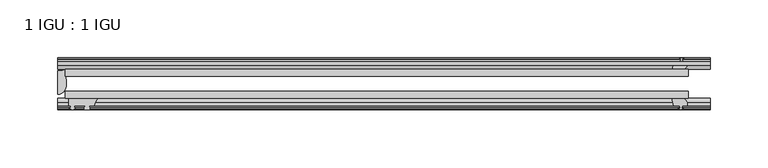
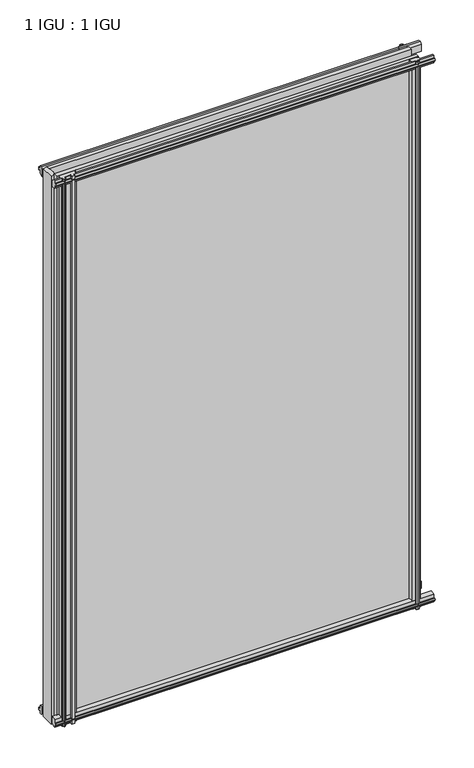
"""IFC4 building model written with IfcOpenShell, lengths in millimetres: plate geometry, 1 IGU : 1 IGU."""

import ifcopenshell
import ifcopenshell.guid

model = None  # the IFC model being written
_history = None  # IfcOwnerHistory: only IFC2X3 demands one
_inside = {}  # id of a spatial element -> (the spatial element, [elements in it])
_under = {}  # id of a project, library or spatial element -> (it, [spatial elements below it])
_declared = {}  # id of a project -> (the project, [libraries it declares])
_typed = {}  # id of a type object -> (the type object, [elements of that type])
_made_of = {}  # id of a material, layer set ... -> (it, [elements and type objects made of it])


def new_model(schema):
    """Start an empty IFC model of exactly this schema.

    Asked for "IFC4X3", IfcOpenShell would pick the latest addendum, in which some entities
    have other attributes; the version numbers below select the first issue.
    IFC2X3 requires an IfcOwnerHistory on every rooted entity: one is made here for all.
    """
    global model, _history
    if schema == "IFC4X3":
        model = ifcopenshell.file(schema_version=(4, 3, 0, 0))
    else:
        model = ifcopenshell.file(schema=schema)
    _inside.clear()
    _under.clear()
    _declared.clear()
    _typed.clear()
    _made_of.clear()
    _history = None
    if model.schema == "IFC2X3":
        org = make("IfcOrganization", Name="unknown")
        user = make(
            "IfcPersonAndOrganization",
            ThePerson=make("IfcPerson", FamilyName="unknown"),
            TheOrganization=org,
        )
        app = make(
            "IfcApplication",
            ApplicationDeveloper=org,
            Version="unknown",
            ApplicationFullName="unknown",
            ApplicationIdentifier="unknown",
        )
        _history = make(
            "IfcOwnerHistory",
            OwningUser=user,
            OwningApplication=app,
            ChangeAction="ADDED",
            CreationDate=0,
        )
    return model


def make(cls, **values):
    """One entity of the class cls with the attributes given. An attribute that is None is left unset."""
    return model.create_entity(
        cls, **{name: value for name, value in values.items() if value is not None}
    )


def rooted(cls, **values):
    """An entity with a GlobalId (a new one), such as an element, a storey or a relation."""
    return make(cls, GlobalId=ifcopenshell.guid.new(), OwnerHistory=_history, **values)


def si_unit(unit_type, name, prefix=None):
    """IfcSIUnit, for example si_unit("LENGTHUNIT", "METRE", prefix="MILLI")."""
    return make("IfcSIUnit", UnitType=unit_type, Prefix=prefix, Name=name)


def assignment(units):
    """IfcUnitAssignment: the units of a project."""
    return None if units is None else make("IfcUnitAssignment", Units=units)


def point(xyz):
    """IfcCartesianPoint."""
    return None if xyz is None else make("IfcCartesianPoint", Coordinates=xyz)


def direction(xyz):
    """IfcDirection."""
    return None if xyz is None else make("IfcDirection", DirectionRatios=xyz)


def frame(location, z_axis=None, x_axis=None):
    """IfcAxis2Placement3D, a coordinate frame: its origin and axes. An axis left out is left unset."""
    return make(
        "IfcAxis2Placement3D",
        Location=point(location),
        Axis=direction(z_axis),
        RefDirection=direction(x_axis),
    )


def frame_2d(location, x_axis=None):
    """IfcAxis2Placement2D, a coordinate frame in the plane: its origin and x axis."""
    return make(
        "IfcAxis2Placement2D", Location=point(location), RefDirection=direction(x_axis)
    )


def origin():
    """The frame at (0, 0, 0) with its axes left unset."""
    return frame((0.0, 0.0, 0.0))


def place(relative_to, where):
    """IfcLocalPlacement: puts the frame where relative to a parent placement (None: the world)."""
    return make(
        "IfcLocalPlacement", PlacementRelTo=relative_to, RelativePlacement=where
    )


def context(
    kind, dimensions, precision=None, world=None, true_north=None, identifier=None
):
    """IfcGeometricRepresentationContext, for example the 3D "Model" context."""
    return make(
        "IfcGeometricRepresentationContext",
        ContextIdentifier=identifier,
        ContextType=kind,
        CoordinateSpaceDimension=dimensions,
        Precision=precision,
        WorldCoordinateSystem=world,
        TrueNorth=true_north,
    )


def project(units=None, contexts=None):
    """IfcProject with its units and contexts."""
    return rooted(
        "IfcProject",
        Name="project",
        RepresentationContexts=contexts,
        UnitsInContext=assignment(units),
    )


def spatial(cls, under=None, at=None, **own):
    """A site, building, storey or space (cls), placed at a placement, below another one or the project."""
    s = rooted(cls, ObjectPlacement=at, **own)
    if under is not None:
        _under.setdefault(under.id(), (under, []))[1].append(s)
    return s


def polyline(points):
    """IfcPolyline through the points."""
    return make("IfcPolyline", Points=[point(p) for p in points])


def circle_curve(where, radius):
    """IfcCircle in the frame where."""
    return make("IfcCircle", Position=where, Radius=radius)


def ellipse_curve(where, semi_axis1, semi_axis2):
    """IfcEllipse in the frame where."""
    return make(
        "IfcEllipse", Position=where, SemiAxis1=semi_axis1, SemiAxis2=semi_axis2
    )


def trimmed(basis, trim1, trim2, sense, master):
    """IfcTrimmedCurve: the piece of a basis curve between two trims."""
    return make(
        "IfcTrimmedCurve",
        BasisCurve=basis,
        Trim1=trim1,
        Trim2=trim2,
        SenseAgreement=sense,
        MasterRepresentation=master,
    )


def segment(curve, same_sense, transition):
    """IfcCompositeCurveSegment."""
    return make(
        "IfcCompositeCurveSegment",
        Transition=transition,
        SameSense=same_sense,
        ParentCurve=curve,
    )


def composite_curve(segments, self_intersect=None):
    """IfcCompositeCurve: segments joined end to end."""
    return make("IfcCompositeCurve", Segments=segments, SelfIntersect=self_intersect)


def outline(outer, holes=None, kind="AREA"):
    """IfcArbitraryClosedProfileDef: a profile drawn as a closed curve; with holes, ...WithVoids."""
    if holes is None:
        return make("IfcArbitraryClosedProfileDef", ProfileType=kind, OuterCurve=outer)
    return make(
        "IfcArbitraryProfileDefWithVoids",
        ProfileType=kind,
        OuterCurve=outer,
        InnerCurves=holes,
    )


def extrude(swept, where, along, depth):
    """IfcExtrudedAreaSolid: the profile swept, set in the frame where, extruded along a direction by depth."""
    return make(
        "IfcExtrudedAreaSolid",
        SweptArea=swept,
        Position=where,
        ExtrudedDirection=direction(along),
        Depth=depth,
    )


def shape(context_of_items, identifier, shape_type, items):
    """IfcShapeRepresentation: the items that make up one representation, for example the "Body"."""
    return make(
        "IfcShapeRepresentation",
        ContextOfItems=context_of_items,
        RepresentationIdentifier=identifier,
        RepresentationType=shape_type,
        Items=items,
    )


def source(mapping_origin, context_of_items, identifier, shape_type, items):
    """IfcRepresentationMap: a shape defined once, which mapped items show again and again."""
    return make(
        "IfcRepresentationMap",
        MappingOrigin=mapping_origin,
        MappedRepresentation=shape(context_of_items, identifier, shape_type, items),
    )


def transform(
    local_origin,
    x_axis=None,
    y_axis=None,
    z_axis=None,
    scale=None,
    scale2=None,
    scale3=None,
    uniform=True,
):
    """IfcCartesianTransformationOperator3D, or its non-uniform kind. x_axis, y_axis, z_axis: its Axis1, 2, 3."""
    if uniform:
        return make(
            "IfcCartesianTransformationOperator3D",
            Axis1=direction(x_axis),
            Axis2=direction(y_axis),
            LocalOrigin=point(local_origin),
            Scale=scale,
            Axis3=direction(z_axis),
        )
    return make(
        "IfcCartesianTransformationOperator3DnonUniform",
        Axis1=direction(x_axis),
        Axis2=direction(y_axis),
        LocalOrigin=point(local_origin),
        Scale=scale,
        Axis3=direction(z_axis),
        Scale2=scale2,
        Scale3=scale3,
    )


def mapped(mapping_source, mapping_target):
    """IfcMappedItem: shows the shape of a source again, moved by a transform."""
    return make(
        "IfcMappedItem", MappingSource=mapping_source, MappingTarget=mapping_target
    )


def made_of(thing, what):
    """Note that an element or type object is made of a material, layer set ...; save() writes the relation."""
    if what is not None:
        _made_of.setdefault(what.id(), (what, []))[1].append(thing)
    return thing


def element(
    cls,
    number,
    at=None,
    inside=None,
    cuts=None,
    type_object=None,
    material=None,
    context=None,
    identifier="Body",
    shape_type=None,
    held_by="IfcProductDefinitionShape",
    body=None,
    shapes=None,
    **own,
):
    """One element of the class cls, such as IfcWall. Its Tag is "e" and its number.

    at: its placement. inside: the storey or other place that contains it. cuts: it is an
    opening in that element (IfcRelVoidsElement). A single representation is given by context,
    identifier, shape_type and body (its items); several are given by shapes. held_by: the class
    of the entity that holds the representations. save() writes the other relations.
    """
    e = rooted(cls, Tag="e%d" % number, ObjectPlacement=at, **own)
    if body is not None:
        shapes = [shape(context, identifier, shape_type, body)]
    if shapes is not None:
        e.Representation = make(held_by, Representations=shapes)
    if inside is not None:
        _inside.setdefault(inside.id(), (inside, []))[1].append(e)
    if cuts is not None:
        rooted(
            "IfcRelVoidsElement", RelatingBuildingElement=cuts, RelatedOpeningElement=e
        )
    if type_object is not None:
        _typed.setdefault(type_object.id(), (type_object, []))[1].append(e)
    return made_of(e, material)


def aggregate(whole, parts):
    """IfcRelAggregates: a whole, such as a stair, and the parts it consists of."""
    return rooted("IfcRelAggregates", RelatingObject=whole, RelatedObjects=parts)


def save(model, path):
    """Write the relations noted so far, then the file.

    IfcRelAggregates (storeys below a building ...), IfcRelContainedInSpatialStructure (elements
    in a storey), IfcRelDefinesByType, IfcRelAssociatesMaterial and IfcRelDeclares: one each for
    every whole, place, type object, material and project.
    """
    for whole, parts in _under.values():
        aggregate(whole, parts)
    for where, things in _inside.values():
        rooted(
            "IfcRelContainedInSpatialStructure",
            RelatedElements=things,
            RelatingStructure=where,
        )
    for kind, things in _typed.values():
        rooted("IfcRelDefinesByType", RelatedObjects=things, RelatingType=kind)
    for what, things in _made_of.values():
        rooted("IfcRelAssociatesMaterial", RelatedObjects=things, RelatingMaterial=what)
    for by, libraries in _declared.values():
        rooted("IfcRelDeclares", RelatingContext=by, RelatedDefinitions=libraries)
    model.write(path)


def plane_surface(at):
    """IfcPlane: the flat surface through the origin of the frame at, square to its z axis."""
    return make("IfcPlane", Position=at)


def cylinder_surface(at, radius):
    """IfcCylindricalSurface: all points at the distance radius from the z axis of the frame at."""
    return make("IfcCylindricalSurface", Position=at, Radius=radius)


def revolved_surface(curve, axis_point, axis_direction):
    """IfcSurfaceOfRevolution: the curve turned about the line through axis_point along axis_direction."""
    return make(
        "IfcSurfaceOfRevolution",
        SweptCurve=make("IfcArbitraryOpenProfileDef", ProfileType="CURVE", Curve=curve),
        AxisPosition=make("IfcAxis1Placement", Location=point(axis_point), Axis=direction(axis_direction)),
    )


def extruded_surface(curve, direction_of_extrusion, depth):
    """IfcSurfaceOfLinearExtrusion: the curve pushed along a direction by depth."""
    return make(
        "IfcSurfaceOfLinearExtrusion",
        SweptCurve=make("IfcArbitraryOpenProfileDef", ProfileType="CURVE", Curve=curve),
        ExtrudedDirection=direction(direction_of_extrusion),
        Depth=depth,
    )


def advanced_brep(points, edges, surfaces, faces):
    """IfcAdvancedBrep: a solid bounded by faces that lie on surfaces and meet in shared edges.

    An edge is (start, end): straight between two places in points (the first is 0);
    or (start, end, curve); or (start, end, curve, False) where it runs against its curve.
    A face is (place in surfaces, loops), or (place, loops, False) where it looks against
    its surface's normal. A loop lists edges by number (the first is 1), with a minus sign
    where the edge is run from its end to its start. The first loop is the outer one.
    """
    corners = [point(p) for p in points]
    vertices = [make("IfcVertexPoint", VertexGeometry=c) for c in corners]
    made = []
    for start, end, *more in edges:
        made.append(
            make(
                "IfcEdgeCurve",
                EdgeStart=vertices[start],
                EdgeEnd=vertices[end],
                EdgeGeometry=more[0] if more else make("IfcPolyline", Points=[corners[start], corners[end]]),
                SameSense=more[1] if len(more) > 1 else True,
            )
        )
    hull = []
    for where, loops, *sense in faces:
        bounds = []
        for j, loop in enumerate(loops):
            ring = [make("IfcOrientedEdge", EdgeElement=made[abs(k) - 1], Orientation=k > 0) for k in loop]
            bounds.append(
                make(
                    "IfcFaceOuterBound" if j == 0 else "IfcFaceBound",
                    Bound=make("IfcEdgeLoop", EdgeList=ring),
                    Orientation=True,
                )
            )
        hull.append(make("IfcAdvancedFace", Bounds=bounds, FaceSurface=surfaces[where], SameSense=sense[0] if sense else True))
    return make("IfcAdvancedBrep", Outer=make("IfcClosedShell", CfsFaces=hull))


def plate_1_igu_1_igu_98772a17(model_context):
    return source(origin(), model_context, "Body", "SolidModel", [
        extrude(outline(polyline([(-276.2250001, -38.6468937), (263.5250001, -38.6468937), (263.5250001, -44.9460938), (-276.2250001, -44.9460938), (-276.2250001, -38.6468937)])), frame((0.0, 0.0, -12.7), z_axis=(0.0, 0.0, 1.0), x_axis=(1.0, 0.0, 0.0)), (0.0, 0.0, 1.0), 863.5999996),
        extrude(outline(polyline([(-276.2250001, -19.5460937), (263.5250001, -19.5460937), (263.5250001, -25.8960938), (-276.2250001, -25.8960938), (-276.2250001, -19.5460937)])), frame((0.0, 0.0, -12.7), z_axis=(0.0, 0.0, 1.0), x_axis=(1.0, 0.0, 0.0)), (0.0, 0.0, 1.0), 863.5999996),
        advanced_brep(
        [(-282.5750001, -21.1706006, -12.7), (-276.2263882, -19.5461438, -12.7), (-276.2263882, -25.8549351, -12.7), (-275.0510369, -32.21431, -12.7), (-282.5750001, -41.5384043, -12.7), (-282.5750001, -21.1706006, 850.8999996), (-282.5750001, -41.5384043, 850.8999996), (-275.0510369, -32.21431, 850.8999996), (-276.2263882, -25.8549351, 850.8999996), (-276.2263882, -19.5461438, 850.8999996)],
        [
            (0, 1, circle_curve(frame((-282.5755695, -7.9505008, -12.7), z_axis=(0.0, 0.0, 1.0), x_axis=(1.0, 0.0, 0.0)), 13.2200998)),
            (1, 2),
            (2, 3, circle_curve(frame((-293.1134013, -32.2643264, -12.7), z_axis=(0.0, 0.0, -1.0), x_axis=(1.0, 0.0, 0.0)), 18.0624336)),
            (3, 4, ellipse_curve(frame((-282.5741672, -32.2460921, -12.7), z_axis=(0.0, 0.0, -1.0), x_axis=(0.0, -1.0, 0.0)), 9.2923123, 7.5231742)),
            (4, 0),
            (5, 6),
            (6, 7, ellipse_curve(frame((-282.5741672, -32.2460921, 850.8999996), z_axis=(0.0, 0.0, 1.0), x_axis=(0.0, -1.0, 0.0)), 9.2923123, 7.5231742)),
            (7, 8, circle_curve(frame((-293.1134013, -32.2643264, 850.8999996), z_axis=(0.0, 0.0, 1.0), x_axis=(1.0, 0.0, 0.0)), 18.0624336)),
            (8, 9),
            (9, 5, circle_curve(frame((-282.5755695, -7.9505008, 850.8999996), z_axis=(0.0, 0.0, -1.0), x_axis=(1.0, 0.0, 0.0)), 13.2200998)),
            (0, 5),
            (9, 1),
            (8, 2),
            (7, 3),
            (6, 4),
        ],
        [
            plane_surface(frame((-282.5750001, -13.1960937, -12.7), z_axis=(0.0, 0.0, -1.0), x_axis=(0.0, 1.0, 0.0))),
            plane_surface(frame((-282.5750001, -13.1960937, 850.8999996), z_axis=(0.0, 0.0, 1.0), x_axis=(0.0, 1.0, 0.0))),
            revolved_surface(polyline([(-269.35546969999996, -7.9505008, 850.8999996), (-269.35546969999996, -7.9505008, -12.7)]), (-282.5755695, -7.9505008, -12.7), (0.0, 0.0, 1.0)),
            plane_surface(frame((-276.2263882, -19.5461438, -12.7), z_axis=(1.0, 0.0, 0.0), x_axis=(0.0, 0.0, 1.0))),
            cylinder_surface(frame((-293.1134013, -32.2643264, -12.7), z_axis=(0.0, 0.0, -1.0), x_axis=(1.0, 0.0, 0.0)), 18.0624336),
            extruded_surface(trimmed(ellipse_curve(frame((-282.5741672, -32.2460921, 850.8999996), z_axis=(0.0, 0.0, -1.0), x_axis=(0.0, -1.0, 0.0)), 9.2923123, 7.5231742), [point((-275.0510369, -32.21431, 850.8999996))], [point((-282.5750001, -41.5384043, 850.8999996))], True, "CARTESIAN"), (0.0, 0.0, -863.5999996), 863.5999996),
            plane_surface(frame((-282.5750001, -41.5384043, -12.7), z_axis=(-1.0, 0.0, 0.0), x_axis=(0.0, 0.0, 1.0))),
        ],
        [
            (0, [[1, 2, 3, 4, 5]]),
            (1, [[6, 7, 8, 9, 10]]),
            (2, [[-1, 11, -10, 12]]),
            (3, [[-2, -12, -9, 13]]),
            (4, [[-3, -13, -8, 14]]),
            (5, [[-4, -14, -7, 15]]),
            (6, [[-5, -15, -6, -11]]),
        ],
    ),
        extrude(outline(polyline([(-44.9460937, 1.7177181), (-44.9460937, -9.1036578), (-48.3496937, -11.938), (-51.2960937, -11.938), (-51.2960937, -7.493), (-53.6762907, -7.112), (-53.2163575, -8.5275291), (-54.0175717, -8.5275291), (-54.7250937, -6.35), (-54.0175717, -4.1724709), (-53.2163575, -4.1724709), (-53.6762907, -5.588), (-51.2960937, -5.207), (-51.2960937, 0.0), (-44.9460937, 1.7177181)])), frame((-282.5750001, 0.0, 0.0), z_axis=(1.0, 0.0, 0.0), x_axis=(0.0, 1.0, 0.0)), (0.0, 0.0, 1.0), 565.1500002),
        extrude(outline(polyline([(-13.1960937, -12.4587), (-16.1424937, -12.4587), (-19.5460937, -9.6243578), (-19.5460937, 1.1970181), (-13.1960937, -0.5207), (-13.1960937, -5.7277), (-10.8158968, -6.1087), (-11.27583, -4.6931709), (-10.4746158, -4.6931709), (-9.7670937, -6.8707), (-10.4746158, -9.0482291), (-11.27583, -9.0482291), (-10.8158968, -7.6327), (-13.1960937, -8.0137), (-13.1960937, -12.4587)])), frame((-282.5750001, 0.0, 0.0), z_axis=(1.0, 0.0, 0.0), x_axis=(0.0, 1.0, 0.0)), (0.0, 0.0, 1.0), 565.1500002),
        extrude(outline(polyline([(-51.2960937, 850.1379996), (-48.3496937, 850.1379996), (-44.9460937, 847.3036575), (-44.9460937, 836.4822816), (-51.2960937, 838.1999996), (-51.2960937, 843.4069996), (-53.6762907, 843.7879996), (-53.2163575, 842.3724706), (-54.0175717, 842.3724706), (-54.7250937, 844.5499996), (-54.0175717, 846.7275287), (-53.2163575, 846.7275287), (-53.6762907, 845.3119996), (-51.2960937, 845.6929996), (-51.2960937, 850.1379996)])), frame((-282.5750001, 0.0, 0.0), z_axis=(1.0, 0.0, 0.0), x_axis=(0.0, 1.0, 0.0)), (0.0, 0.0, 1.0), 565.1500002),
        extrude(outline(polyline([(-19.5460937, 837.0029816), (-19.5460937, 847.8243575), (-16.1424937, 850.6586996), (-13.1960937, 850.6586996), (-13.1960937, 846.2136996), (-10.8158968, 845.8326996), (-11.27583, 847.2482287), (-10.4746158, 847.2482287), (-9.7670937, 845.0706996), (-10.4746158, 842.8931706), (-11.27583, 842.8931706), (-10.8158968, 844.3086996), (-13.1960937, 843.9276996), (-13.1960937, 838.7206996), (-19.5460937, 837.0029816)])), frame((-282.5750001, 0.0, 0.0), z_axis=(1.0, 0.0, 0.0), x_axis=(0.0, 1.0, 0.0)), (0.0, 0.0, 1.0), 565.1500002),
        extrude(outline(composite_curve([segment(trimmed(circle_curve(frame_2d((-241.8090688, -51.9750196)), 9.0414579), [point((-247.4960857, -44.9460938))], [point((-250.8250002, -51.2960938))], True, "CARTESIAN"), True, "CONTINUOUS"), segment(polyline([(-250.8250002, -51.2960938), (-255.0668002, -51.2960938)]), True, "CONTINUOUS"), segment(trimmed(circle_curve(frame_2d((-255.0668002, -51.7532938)), 0.4572), [point((-255.0668002, -51.2960938))], [point((-255.4056181, -52.0602698))], True, "CARTESIAN"), True, "CONTINUOUS"), segment(trimmed(circle_curve(frame_2d((-257.1750002, -53.663367)), 2.3876), [point((-255.4056181, -52.0602698))], [point((-255.1043572, -54.8520938))], False, "CARTESIAN"), True, "CONTINUOUS"), segment(polyline([(-255.1043572, -54.8520938), (-259.2456432, -54.8520938)]), True, "CONTINUOUS"), segment(trimmed(circle_curve(frame_2d((-257.1750002, -53.663367)), 2.3876), [point((-259.2456432, -54.8520938))], [point((-258.9443824, -52.0602698))], False, "CARTESIAN"), True, "CONTINUOUS"), segment(trimmed(circle_curve(frame_2d((-259.2832002, -51.7532938)), 0.4572), [point((-258.9443824, -52.0602698))], [point((-259.2832002, -51.2960938))], True, "CARTESIAN"), True, "CONTINUOUS"), segment(polyline([(-259.2832002, -51.2960938), (-268.3510002, -51.2960938), (-268.3510002, -52.9470938), (-267.2733695, -52.9470938)]), True, "CONTINUOUS"), segment(trimmed(circle_curve(frame_2d((-268.3510002, -52.9470938)), 1.0776307), [point((-267.2733695, -52.9470938))], [point((-267.5890002, -53.7090938))], False, "CARTESIAN"), True, "CONTINUOUS"), segment(polyline([(-267.5890002, -53.7090938), (-269.3282926, -54.8194621)]), True, "CONTINUOUS"), segment(trimmed(circle_curve(frame_2d((-269.8750002, -53.9630938)), 1.016), [point((-269.3282926, -54.8194621))], [point((-270.4217078, -54.8194621))], False, "CARTESIAN"), True, "CONTINUOUS"), segment(polyline([(-270.4217078, -54.8194621), (-272.1610002, -53.7090938)]), True, "CONTINUOUS"), segment(trimmed(circle_curve(frame_2d((-271.3990002, -52.9470938)), 1.0776307), [point((-272.1610002, -53.7090938))], [point((-272.476631, -52.9470938))], False, "CARTESIAN"), True, "CONTINUOUS"), segment(polyline([(-272.476631, -52.9470938), (-271.3990002, -52.9470938), (-271.3990002, -51.2960938), (-273.0500002, -51.2960938), (-273.0500002, -44.9460938), (-247.4960857, -44.9460938)]), True, "CONTINUOUS")], self_intersect=False)), frame((0.0, 0.0, -12.7), z_axis=(0.0, 0.0, 1.0), x_axis=(1.0, 0.0, 0.0)), (0.0, 0.0, 1.0), 863.5999998),
        extrude(outline(polyline([(249.627982, -19.5460938), (251.3457001, -13.1960938), (256.5527001, -13.1960938), (256.9337001, -10.8158968), (255.518171, -11.27583), (255.518171, -10.4746158), (257.6957001, -9.7670938), (259.8732291, -10.4746158), (259.8732291, -11.27583), (258.4577001, -10.8158968), (258.8387001, -13.1960938), (263.2837001, -13.1960938), (263.2837001, -16.1424938), (260.4493579, -19.5460938), (249.627982, -19.5460938)])), frame((0.0, 0.0, -12.7), z_axis=(0.0, 0.0, 1.0), x_axis=(1.0, 0.0, 0.0)), (0.0, 0.0, 1.0), 863.5999998),
        extrude(outline(polyline([(249.107282, -44.9460938), (259.9286579, -44.9460938), (262.7630001, -48.3496938), (262.7630001, -51.2960938), (258.3180001, -51.2960938), (257.9370001, -53.6762907), (259.3525291, -53.2163575), (259.3525291, -54.0175717), (257.1750001, -54.7250938), (254.997471, -54.0175717), (254.997471, -53.2163575), (256.4130001, -53.6762907), (256.0320001, -51.2960938), (250.8250001, -51.2960938), (249.107282, -44.9460938)])), frame((0.0, 0.0, -12.7), z_axis=(0.0, 0.0, 1.0), x_axis=(1.0, 0.0, 0.0)), (0.0, 0.0, 1.0), 863.5999998),
    ])


if __name__ == "__main__":
    model = new_model("IFC4")
    model_context = context("Model", 3, world=origin())
    ifc_project = project(units=[si_unit("LENGTHUNIT", "METRE", prefix="MILLI")], contexts=[model_context])
    site = spatial("IfcSite", under=ifc_project)
    building = spatial("IfcBuilding", under=site)
    placement = place(None, origin())
    plate_1_igu_1_igu_shape = plate_1_igu_1_igu_98772a17(model_context)
    element("IfcPlate", 1, ObjectType="1 IGU : 1 IGU", at=placement, inside=building, context=model_context, shape_type="MappedRepresentation", body=[
        mapped(plate_1_igu_1_igu_shape, transform((0.0, 0.0, 0.0), x_axis=(1.0, 0.0, 0.0), y_axis=(0.0, 1.0, 0.0), z_axis=(0.0, 0.0, 1.0))),
    ])
    save(model, "model.ifc")
